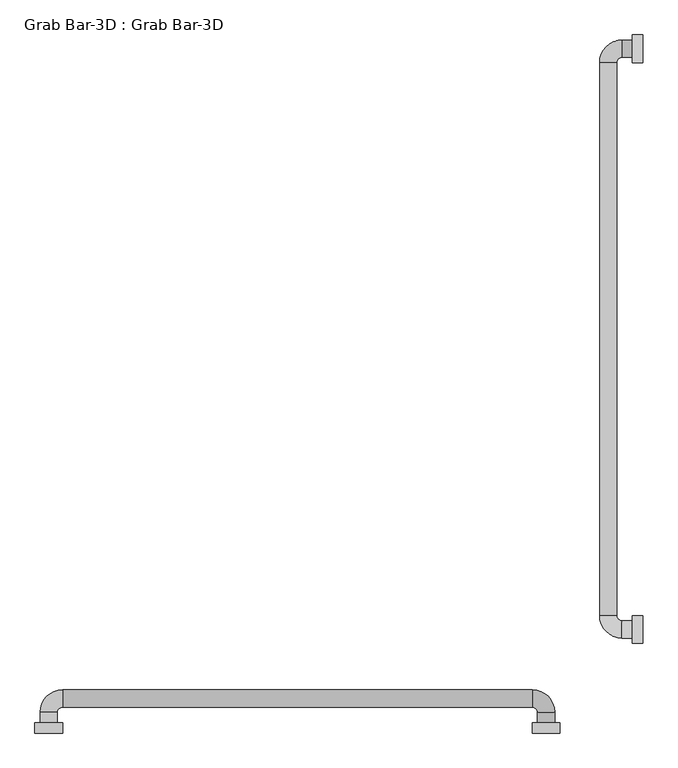
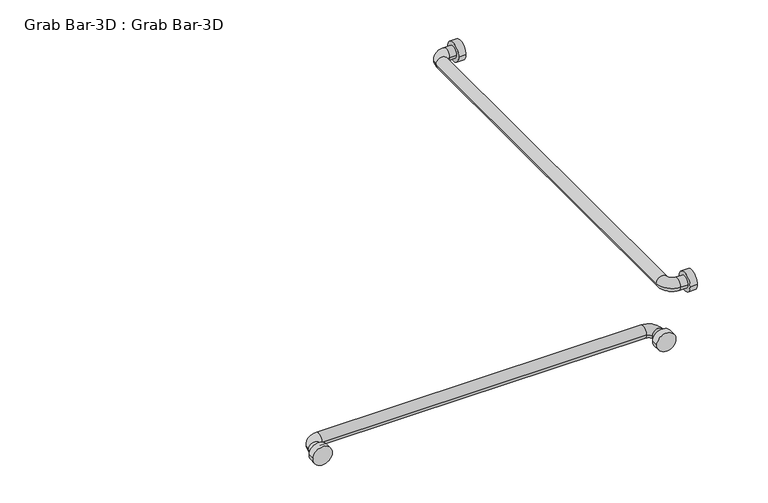
"""IFC4 building model written with IfcOpenShell, lengths in millimetres: proxy geometry, Grab Bar-3D : Grab Bar-3D."""

from ifc_helpers import new_model, si_unit, point, frame, frame_2d, origin, place, context, project, spatial, circle_curve, ellipse_curve, trimmed, segment, composite_curve, outline, extrude, source, transform, mapped, element, save
from ifc_brep_helpers import plane_surface, cylinder_surface, revolved_surface, advanced_brep


def grab_bar_3d_grab_bar_3d_01502a31(model_context):
    return source(origin(), model_context, "Body", "SolidModel", [
        extrude(outline(composite_curve([segment(trimmed(circle_curve(frame_2d((190.5, 914.4)), 25.4), [point((165.1, 914.4))], [point((215.9, 914.4))], False, "CARTESIAN"), True, "CONTINUOUS"), segment(trimmed(circle_curve(frame_2d((190.5, 914.4)), 25.4), [point((215.9, 914.4))], [point((165.1, 914.4))], False, "CARTESIAN"), True, "CONTINUOUS")], self_intersect=False)), frame((-19.05, 0.0, 0.0), z_axis=(1.0, 0.0, 0.0), x_axis=(0.0, 1.0, 0.0)), (0.0, 0.0, 1.0), 19.05),
        extrude(outline(composite_curve([segment(trimmed(circle_curve(frame_2d((1257.3, 914.4)), 25.4), [point((1231.9, 914.4))], [point((1282.7, 914.4))], False, "CARTESIAN"), True, "CONTINUOUS"), segment(trimmed(circle_curve(frame_2d((1257.3, 914.4)), 25.4), [point((1282.7, 914.4))], [point((1231.9, 914.4))], False, "CARTESIAN"), True, "CONTINUOUS")], self_intersect=False)), frame((-19.05, 0.0, 0.0), z_axis=(1.0, 0.0, 0.0), x_axis=(0.0, 1.0, 0.0)), (0.0, 0.0, 1.0), 19.05),
        extrude(outline(composite_curve([segment(trimmed(circle_curve(frame_2d((914.4, -177.8)), 25.4), [point((914.4, -203.2))], [point((914.4, -152.4))], False, "CARTESIAN"), True, "CONTINUOUS"), segment(trimmed(circle_curve(frame_2d((914.4, -177.8)), 25.4), [point((914.4, -152.4))], [point((914.4, -203.2))], False, "CARTESIAN"), True, "CONTINUOUS")], self_intersect=False)), frame((0.0, 0.0, 0.0), z_axis=(0.0, 1.0, 0.0), x_axis=(0.0, 0.0, 1.0)), (0.0, 0.0, 1.0), 19.05),
        extrude(outline(composite_curve([segment(trimmed(circle_curve(frame_2d((914.4, -1092.2)), 25.4), [point((914.4, -1117.6))], [point((914.4, -1066.8))], False, "CARTESIAN"), True, "CONTINUOUS"), segment(trimmed(circle_curve(frame_2d((914.4, -1092.2)), 25.4), [point((914.4, -1066.8))], [point((914.4, -1117.6))], False, "CARTESIAN"), True, "CONTINUOUS")], self_intersect=False)), frame((0.0, 0.0, 0.0), z_axis=(0.0, 1.0, 0.0), x_axis=(0.0, 0.0, 1.0)), (0.0, 0.0, 1.0), 19.05),
        advanced_brep(
        [(-19.05, 206.375, 914.4), (-19.05, 174.625, 914.4), (-38.1, 206.375, 914.4), (-38.1, 174.625, 914.4), (-79.375, 215.9, 914.4), (-47.625, 215.9, 914.4), (-47.625, 1231.9, 914.4), (-79.375, 1231.9, 914.4), (-38.1, 1273.175, 914.4), (-38.1, 1241.425, 914.4), (-19.05, 1241.425, 914.4), (-19.05, 1273.175, 914.4)],
        [
            (0, 1, circle_curve(frame((-19.05, 190.5, 914.4), z_axis=(1.0, 0.0, 0.0), x_axis=(0.0, -1.0, 0.0)), 15.875)),
            (1, 0, circle_curve(frame((-19.05, 190.5, 914.4), z_axis=(1.0, 0.0, 0.0), x_axis=(0.0, -1.0, 0.0)), 15.875)),
            (0, 2),
            (2, 3, circle_curve(frame((-38.1, 190.5, 914.4), z_axis=(1.0, 0.0, 0.0), x_axis=(0.0, -1.0, 0.0)), 15.875)),
            (3, 1),
            (3, 2, circle_curve(frame((-38.1, 190.5, 914.4), z_axis=(1.0, 0.0, 0.0), x_axis=(0.0, -1.0, 0.0)), 15.875)),
            (4, 3, circle_curve(frame((-38.1, 215.9, 914.4), z_axis=(0.0, 0.0, 1.0), x_axis=(0.0, -1.0, 0.0)), 41.275)),
            (2, 5, circle_curve(frame((-38.1, 215.9, 914.4), z_axis=(0.0, 0.0, -1.0), x_axis=(0.0, -1.0, 0.0)), 9.525)),
            (5, 4, circle_curve(frame((-63.5, 215.9, 914.4), z_axis=(0.0, -1.0, 0.0), x_axis=(-1.0, 0.0, 0.0)), 15.875)),
            (4, 5, circle_curve(frame((-63.5, 215.9, 914.4), z_axis=(0.0, -1.0, 0.0), x_axis=(-1.0, 0.0, 0.0)), 15.875)),
            (5, 6),
            (6, 7, circle_curve(frame((-63.5, 1231.9, 914.4), z_axis=(0.0, -1.0, 0.0), x_axis=(-1.0, 0.0, 0.0)), 15.875)),
            (7, 4),
            (7, 6, circle_curve(frame((-63.5, 1231.9, 914.4), z_axis=(0.0, -1.0, 0.0), x_axis=(-1.0, 0.0, 0.0)), 15.875)),
            (8, 7, circle_curve(frame((-38.1, 1231.9, 914.4), z_axis=(0.0, 0.0, 1.0), x_axis=(-1.0, 0.0, 0.0)), 41.275)),
            (6, 9, circle_curve(frame((-38.1, 1231.9, 914.4), z_axis=(0.0, 0.0, -1.0), x_axis=(-1.0, 0.0, 0.0)), 9.525)),
            (9, 8, circle_curve(frame((-38.1, 1257.3, 914.4), z_axis=(-1.0, 0.0, 0.0), x_axis=(0.0, 1.0, 0.0)), 15.875)),
            (8, 9, circle_curve(frame((-38.1, 1257.3, 914.4), z_axis=(-1.0, 0.0, 0.0), x_axis=(0.0, 1.0, 0.0)), 15.875)),
            (10, 11, circle_curve(frame((-19.05, 1257.3, 914.4), z_axis=(1.0, 0.0, 0.0), x_axis=(0.0, 1.0, 0.0)), 15.875)),
            (11, 10, circle_curve(frame((-19.05, 1257.3, 914.4), z_axis=(1.0, 0.0, 0.0), x_axis=(0.0, 1.0, 0.0)), 15.875)),
            (9, 10),
            (11, 8),
        ],
        [
            plane_surface(frame((-19.05, 190.5, -930.275), z_axis=(1.0, 0.0, 0.0), x_axis=(0.0, -1.0, 0.0))),
            cylinder_surface(frame((-19.05, 190.5, 914.4), z_axis=(1.0, 0.0, 0.0), x_axis=(0.0, -1.0, 0.0)), 15.875),
            revolved_surface(trimmed(ellipse_curve(frame((-38.1, 190.5, 914.4), z_axis=(1.0, 0.0, 0.0), x_axis=(0.0, -1.0, 0.0)), 15.875, 15.875), [point((-38.1, 206.375, 914.4))], [point((-38.1, 174.625, 914.4))], True, "CARTESIAN"), (-38.1, 215.9, 0.0), (0.0, 0.0, -1.0)),
            revolved_surface(trimmed(ellipse_curve(frame((-38.1, 190.5, 914.4), z_axis=(1.0, 0.0, 0.0), x_axis=(0.0, -1.0, 0.0)), 15.875, 15.875), [point((-38.1, 174.625, 914.4))], [point((-38.1, 206.375, 914.4))], True, "CARTESIAN"), (-38.1, 215.9, 0.0), (0.0, 0.0, -1.0)),
            cylinder_surface(frame((-63.5, 215.9, 914.4), z_axis=(0.0, -1.0, 0.0), x_axis=(-1.0, 0.0, 0.0)), 15.875),
            revolved_surface(trimmed(ellipse_curve(frame((-63.5, 1231.9, 914.4), z_axis=(0.0, -1.0, 0.0), x_axis=(-1.0, 0.0, 0.0)), 15.875, 15.875), [point((-47.625, 1231.9, 914.4))], [point((-79.375, 1231.9, 914.4))], True, "CARTESIAN"), (-38.1, 1231.9, 0.0), (0.0, 0.0, -1.0)),
            revolved_surface(trimmed(ellipse_curve(frame((-63.5, 1231.9, 914.4), z_axis=(0.0, -1.0, 0.0), x_axis=(-1.0, 0.0, 0.0)), 15.875, 15.875), [point((-79.375, 1231.9, 914.4))], [point((-47.625, 1231.9, 914.4))], True, "CARTESIAN"), (-38.1, 1231.9, 0.0), (0.0, 0.0, -1.0)),
            plane_surface(frame((-19.05, 1257.3, -930.275), z_axis=(1.0, 0.0, 0.0), x_axis=(0.0, 1.0, 0.0))),
            cylinder_surface(frame((-38.1, 1257.3, 914.4), z_axis=(-1.0, 0.0, 0.0), x_axis=(0.0, 1.0, 0.0)), 15.875),
        ],
        [
            (0, [[1, 2]]),
            (1, [[-1, 3, 4, 5]]),
            (1, [[-2, -5, 6, -3]]),
            (2, [[7, -4, 8, 9]]),
            (3, [[-8, -6, -7, 10]]),
            (4, [[-9, 11, 12, 13]]),
            (4, [[-10, -13, 14, -11]]),
            (5, [[15, -12, 16, 17]]),
            (6, [[-16, -14, -15, 18]]),
            (7, [[19, 20]]),
            (8, [[-17, 21, -20, 22]]),
            (8, [[-18, -22, -19, -21]]),
        ],
    ),
        advanced_brep(
        [(-1076.325, 19.05, 914.4), (-1108.075, 19.05, 914.4), (-1076.325, 38.1, 914.4), (-1108.075, 38.1, 914.4), (-1066.8, 79.375, 914.4), (-1066.8, 47.625, 914.4), (-203.2, 47.625, 914.4), (-203.2, 79.375, 914.4), (-161.925, 38.1, 914.4), (-193.675, 38.1, 914.4), (-193.675, 19.05, 914.4), (-161.925, 19.05, 914.4)],
        [
            (0, 1, circle_curve(frame((-1092.2, 19.05, 914.4), z_axis=(0.0, -1.0, 0.0), x_axis=(-1.0, 0.0, 0.0)), 15.875)),
            (1, 0, circle_curve(frame((-1092.2, 19.05, 914.4), z_axis=(0.0, -1.0, 0.0), x_axis=(-1.0, 0.0, 0.0)), 15.875)),
            (0, 2),
            (2, 3, circle_curve(frame((-1092.2, 38.1, 914.4), z_axis=(0.0, -1.0, 0.0), x_axis=(-1.0, 0.0, 0.0)), 15.875)),
            (3, 1),
            (3, 2, circle_curve(frame((-1092.2, 38.1, 914.4), z_axis=(0.0, -1.0, 0.0), x_axis=(-1.0, 0.0, 0.0)), 15.875)),
            (4, 3, circle_curve(frame((-1066.8, 38.1, 914.4), z_axis=(0.0, 0.0, 1.0), x_axis=(-1.0, 0.0, 0.0)), 41.275)),
            (2, 5, circle_curve(frame((-1066.8, 38.1, 914.4), z_axis=(0.0, 0.0, -1.0), x_axis=(-1.0, 0.0, 0.0)), 9.525)),
            (5, 4, circle_curve(frame((-1066.8, 63.5, 914.4), z_axis=(-1.0, 0.0, 0.0), x_axis=(0.0, 1.0, 0.0)), 15.875)),
            (4, 5, circle_curve(frame((-1066.8, 63.5, 914.4), z_axis=(-1.0, 0.0, 0.0), x_axis=(0.0, 1.0, 0.0)), 15.875)),
            (5, 6),
            (6, 7, circle_curve(frame((-203.2, 63.5, 914.4), z_axis=(-1.0, 0.0, 0.0), x_axis=(0.0, 1.0, 0.0)), 15.875)),
            (7, 4),
            (7, 6, circle_curve(frame((-203.2, 63.5, 914.4), z_axis=(-1.0, 0.0, 0.0), x_axis=(0.0, 1.0, 0.0)), 15.875)),
            (8, 7, circle_curve(frame((-203.2, 38.1, 914.4), z_axis=(0.0, 0.0, 1.0), x_axis=(0.0, 1.0, 0.0)), 41.275)),
            (6, 9, circle_curve(frame((-203.2, 38.1, 914.4), z_axis=(0.0, 0.0, -1.0), x_axis=(0.0, 1.0, 0.0)), 9.525)),
            (9, 8, circle_curve(frame((-177.8, 38.1, 914.4), z_axis=(0.0, 1.0, 0.0), x_axis=(1.0, 0.0, 0.0)), 15.875)),
            (8, 9, circle_curve(frame((-177.8, 38.1, 914.4), z_axis=(0.0, 1.0, 0.0), x_axis=(1.0, 0.0, 0.0)), 15.875)),
            (10, 11, circle_curve(frame((-177.8, 19.05, 914.4), z_axis=(0.0, -1.0, 0.0), x_axis=(1.0, 0.0, 0.0)), 15.875)),
            (11, 10, circle_curve(frame((-177.8, 19.05, 914.4), z_axis=(0.0, -1.0, 0.0), x_axis=(1.0, 0.0, 0.0)), 15.875)),
            (9, 10),
            (11, 8),
        ],
        [
            plane_surface(frame((-2022.475, 19.05, 0.0), z_axis=(0.0, -1.0, 0.0), x_axis=(0.0, 0.0, 1.0))),
            cylinder_surface(frame((-1092.2, 19.05, 914.4), z_axis=(0.0, -1.0, 0.0), x_axis=(-1.0, 0.0, 0.0)), 15.875),
            revolved_surface(trimmed(ellipse_curve(frame((-1092.2, 38.1, 914.4), z_axis=(0.0, -1.0, 0.0), x_axis=(-1.0, 0.0, 0.0)), 15.875, 15.875), [point((-1076.325, 38.1, 914.4))], [point((-1108.075, 38.1, 914.4))], True, "CARTESIAN"), (-1066.8, 38.1, 0.0), (0.0, 0.0, -1.0)),
            revolved_surface(trimmed(ellipse_curve(frame((-1092.2, 38.1, 914.4), z_axis=(0.0, -1.0, 0.0), x_axis=(-1.0, 0.0, 0.0)), 15.875, 15.875), [point((-1108.075, 38.1, 914.4))], [point((-1076.325, 38.1, 914.4))], True, "CARTESIAN"), (-1066.8, 38.1, 0.0), (0.0, 0.0, -1.0)),
            cylinder_surface(frame((-1066.8, 63.5, 914.4), z_axis=(-1.0, 0.0, 0.0), x_axis=(0.0, 1.0, 0.0)), 15.875),
            revolved_surface(trimmed(ellipse_curve(frame((-203.2, 63.5, 914.4), z_axis=(-1.0, 0.0, 0.0), x_axis=(0.0, 1.0, 0.0)), 15.875, 15.875), [point((-203.2, 47.625, 914.4))], [point((-203.2, 79.375, 914.4))], True, "CARTESIAN"), (-203.2, 38.1, 0.0), (0.0, 0.0, -1.0)),
            revolved_surface(trimmed(ellipse_curve(frame((-203.2, 63.5, 914.4), z_axis=(-1.0, 0.0, 0.0), x_axis=(0.0, 1.0, 0.0)), 15.875, 15.875), [point((-203.2, 79.375, 914.4))], [point((-203.2, 47.625, 914.4))], True, "CARTESIAN"), (-203.2, 38.1, 0.0), (0.0, 0.0, -1.0)),
            plane_surface(frame((-1108.075, 19.05, 0.0), z_axis=(0.0, -1.0, 0.0), x_axis=(0.0, 0.0, -1.0))),
            cylinder_surface(frame((-177.8, 38.1, 914.4), z_axis=(0.0, 1.0, 0.0), x_axis=(1.0, 0.0, 0.0)), 15.875),
        ],
        [
            (0, [[1, 2]]),
            (1, [[-1, 3, 4, 5]]),
            (1, [[-2, -5, 6, -3]]),
            (2, [[7, -4, 8, 9]]),
            (3, [[-8, -6, -7, 10]]),
            (4, [[-9, 11, 12, 13]]),
            (4, [[-10, -13, 14, -11]]),
            (5, [[15, -12, 16, 17]]),
            (6, [[-16, -14, -15, 18]]),
            (7, [[19, 20]]),
            (8, [[-17, 21, -20, 22]]),
            (8, [[-18, -22, -19, -21]]),
        ],
    ),
    ])


if __name__ == "__main__":
    model = new_model("IFC4")
    model_context = context("Model", 3, world=origin())
    ifc_project = project(units=[si_unit("LENGTHUNIT", "METRE", prefix="MILLI")], contexts=[model_context])
    site = spatial("IfcSite", under=ifc_project)
    building = spatial("IfcBuilding", under=site)
    placement = place(None, origin())
    grab_bar_3d_grab_bar_3d_shape = grab_bar_3d_grab_bar_3d_01502a31(model_context)
    element("IfcBuildingElementProxy", 1, Name="Grab Bar-3D : Grab Bar-3D", ObjectType="Grab Bar-3D : Grab Bar-3D", at=placement, inside=building, context=model_context, shape_type="MappedRepresentation", body=[
        mapped(grab_bar_3d_grab_bar_3d_shape, transform((0.0, 0.0, 0.0), x_axis=(1.0, 0.0, 0.0), y_axis=(0.0, 1.0, 0.0), z_axis=(0.0, 0.0, 1.0))),
    ])
    save(model, "model.ifc")
